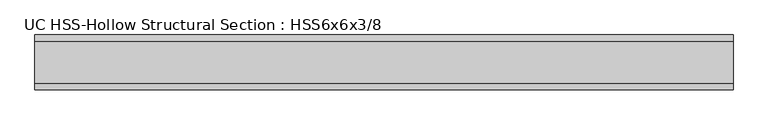
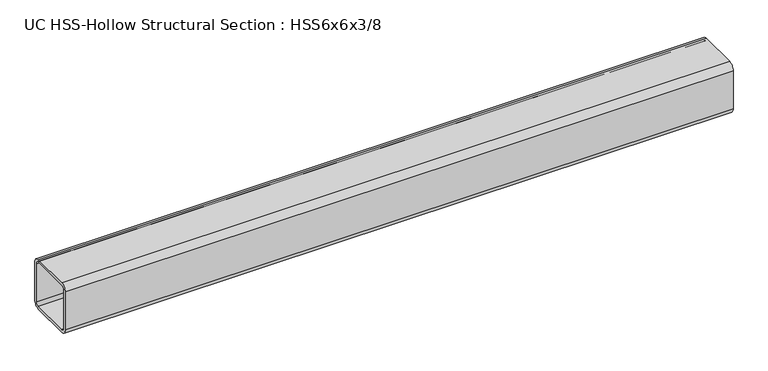
"""IFC4 building model written with IfcOpenShell, lengths in millimetres: beam geometry, UC HSS-Hollow Structural Section : HSS6x6x3/8."""

from ifc_helpers import new_model, si_unit, point, frame, frame_2d, origin, place, context, project, spatial, polyline, circle_curve, trimmed, segment, composite_curve, outline, extrude, source, transform, mapped, element, save


def uc_hss_hollow_structural_section_hss6x6x3_8_ec52df22(model_context):
    return source(origin(), model_context, "Body", "SweptSolid", [
        extrude(outline(composite_curve([segment(polyline([(76.2, 58.4708), (76.2, -58.4708)]), True, "CONTINUOUS"), segment(trimmed(circle_curve(frame_2d((58.4708, -58.4708)), 17.7292), [point((76.2, -58.4708))], [point((58.4708, -76.2))], False, "CARTESIAN"), True, "CONTINUOUS"), segment(polyline([(58.4708, -76.2), (-58.4708, -76.2)]), True, "CONTINUOUS"), segment(trimmed(circle_curve(frame_2d((-58.4708, -58.4708)), 17.7292), [point((-58.4708, -76.2))], [point((-76.2, -58.4708))], False, "CARTESIAN"), True, "CONTINUOUS"), segment(polyline([(-76.2, -58.4708), (-76.2, 58.4708)]), True, "CONTINUOUS"), segment(trimmed(circle_curve(frame_2d((-58.4708, 58.4708)), 17.7292), [point((-76.2, 58.4708))], [point((-58.4708, 76.2))], False, "CARTESIAN"), True, "CONTINUOUS"), segment(polyline([(-58.4708, 76.2), (58.4708, 76.2)]), True, "CONTINUOUS"), segment(trimmed(circle_curve(frame_2d((58.4708, 58.4708)), 17.7292), [point((58.4708, 76.2))], [point((76.2, 58.4708))], False, "CARTESIAN"), True, "CONTINUOUS")], self_intersect=False), holes=[composite_curve([segment(trimmed(circle_curve(frame_2d((-58.4708, 58.4708)), 8.8646), [point((-58.4708, 67.3354))], [point((-67.3354, 58.4708))], True, "CARTESIAN"), True, "CONTINUOUS"), segment(polyline([(-67.3354, 58.4708), (-67.3354, -58.4708)]), True, "CONTINUOUS"), segment(trimmed(circle_curve(frame_2d((-58.4708, -58.4708)), 8.8646), [point((-67.3354, -58.4708))], [point((-58.4708, -67.3354))], True, "CARTESIAN"), True, "CONTINUOUS"), segment(polyline([(-58.4708, -67.3354), (58.4708, -67.3354)]), True, "CONTINUOUS"), segment(trimmed(circle_curve(frame_2d((58.4708, -58.4708)), 8.8646), [point((58.4708, -67.3354))], [point((67.3354, -58.4708))], True, "CARTESIAN"), True, "CONTINUOUS"), segment(polyline([(67.3354, -58.4708), (67.3354, 58.4708)]), True, "CONTINUOUS"), segment(trimmed(circle_curve(frame_2d((58.4708, 58.4708)), 8.8646), [point((67.3354, 58.4708))], [point((58.4708, 67.3354))], True, "CARTESIAN"), True, "CONTINUOUS"), segment(polyline([(58.4708, 67.3354), (-58.4708, 67.3354)]), True, "CONTINUOUS")], self_intersect=False)]), frame((-901.2574146, 0.0, 0.0), z_axis=(1.0, 0.0, 0.0), x_axis=(0.0, 1.0, 0.0)), (0.0, 0.0, 1.0), 1941.6605456),
    ])


if __name__ == "__main__":
    model = new_model("IFC4")
    model_context = context("Model", 3, world=origin())
    ifc_project = project(units=[si_unit("LENGTHUNIT", "METRE", prefix="MILLI")], contexts=[model_context])
    site = spatial("IfcSite", under=ifc_project)
    building = spatial("IfcBuilding", under=site)
    placement = place(None, origin())
    uc_hss_hollow_structural_section_hss6x6x3_8_shape = uc_hss_hollow_structural_section_hss6x6x3_8_ec52df22(model_context)
    element("IfcBeam", 1, ObjectType="UC HSS-Hollow Structural Section : HSS6x6x3/8", at=placement, inside=building, context=model_context, shape_type="MappedRepresentation", body=[
        mapped(uc_hss_hollow_structural_section_hss6x6x3_8_shape, transform((0.0, 0.0, 0.0), x_axis=(1.0, 0.0, 0.0), y_axis=(0.0, 1.0, 0.0), z_axis=(0.0, 0.0, 1.0))),
    ])
    save(model, "model.ifc")
